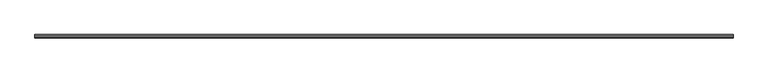
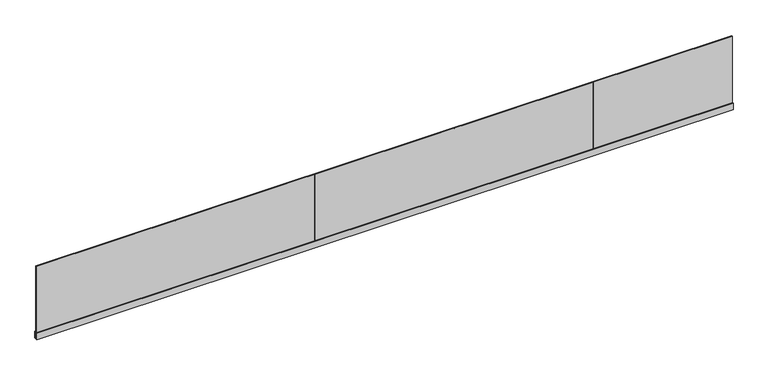
"""IFC4 building model written with IfcOpenShell, lengths in millimetres: railing geometry."""

import ifcopenshell
import ifcopenshell.guid

model = None  # the IFC model being written
_history = None  # IfcOwnerHistory: only IFC2X3 demands one
_inside = {}  # id of a spatial element -> (the spatial element, [elements in it])
_under = {}  # id of a project, library or spatial element -> (it, [spatial elements below it])
_declared = {}  # id of a project -> (the project, [libraries it declares])
_typed = {}  # id of a type object -> (the type object, [elements of that type])
_made_of = {}  # id of a material, layer set ... -> (it, [elements and type objects made of it])


def new_model(schema):
    """Start an empty IFC model of exactly this schema.

    Asked for "IFC4X3", IfcOpenShell would pick the latest addendum, in which some entities
    have other attributes; the version numbers below select the first issue.
    IFC2X3 requires an IfcOwnerHistory on every rooted entity: one is made here for all.
    """
    global model, _history
    if schema == "IFC4X3":
        model = ifcopenshell.file(schema_version=(4, 3, 0, 0))
    else:
        model = ifcopenshell.file(schema=schema)
    _inside.clear()
    _under.clear()
    _declared.clear()
    _typed.clear()
    _made_of.clear()
    _history = None
    if model.schema == "IFC2X3":
        org = make("IfcOrganization", Name="unknown")
        user = make(
            "IfcPersonAndOrganization",
            ThePerson=make("IfcPerson", FamilyName="unknown"),
            TheOrganization=org,
        )
        app = make(
            "IfcApplication",
            ApplicationDeveloper=org,
            Version="unknown",
            ApplicationFullName="unknown",
            ApplicationIdentifier="unknown",
        )
        _history = make(
            "IfcOwnerHistory",
            OwningUser=user,
            OwningApplication=app,
            ChangeAction="ADDED",
            CreationDate=0,
        )
    return model


def make(cls, **values):
    """One entity of the class cls with the attributes given. An attribute that is None is left unset."""
    return model.create_entity(
        cls, **{name: value for name, value in values.items() if value is not None}
    )


def rooted(cls, **values):
    """An entity with a GlobalId (a new one), such as an element, a storey or a relation."""
    return make(cls, GlobalId=ifcopenshell.guid.new(), OwnerHistory=_history, **values)


def si_unit(unit_type, name, prefix=None):
    """IfcSIUnit, for example si_unit("LENGTHUNIT", "METRE", prefix="MILLI")."""
    return make("IfcSIUnit", UnitType=unit_type, Prefix=prefix, Name=name)


def assignment(units):
    """IfcUnitAssignment: the units of a project."""
    return None if units is None else make("IfcUnitAssignment", Units=units)


def point(xyz):
    """IfcCartesianPoint."""
    return None if xyz is None else make("IfcCartesianPoint", Coordinates=xyz)


def direction(xyz):
    """IfcDirection."""
    return None if xyz is None else make("IfcDirection", DirectionRatios=xyz)


def frame(location, z_axis=None, x_axis=None):
    """IfcAxis2Placement3D, a coordinate frame: its origin and axes. An axis left out is left unset."""
    return make(
        "IfcAxis2Placement3D",
        Location=point(location),
        Axis=direction(z_axis),
        RefDirection=direction(x_axis),
    )


def origin():
    """The frame at (0, 0, 0) with its axes left unset."""
    return frame((0.0, 0.0, 0.0))


def place(relative_to, where):
    """IfcLocalPlacement: puts the frame where relative to a parent placement (None: the world)."""
    return make(
        "IfcLocalPlacement", PlacementRelTo=relative_to, RelativePlacement=where
    )


def context(
    kind, dimensions, precision=None, world=None, true_north=None, identifier=None
):
    """IfcGeometricRepresentationContext, for example the 3D "Model" context."""
    return make(
        "IfcGeometricRepresentationContext",
        ContextIdentifier=identifier,
        ContextType=kind,
        CoordinateSpaceDimension=dimensions,
        Precision=precision,
        WorldCoordinateSystem=world,
        TrueNorth=true_north,
    )


def project(units=None, contexts=None):
    """IfcProject with its units and contexts."""
    return rooted(
        "IfcProject",
        Name="project",
        RepresentationContexts=contexts,
        UnitsInContext=assignment(units),
    )


def spatial(cls, under=None, at=None, **own):
    """A site, building, storey or space (cls), placed at a placement, below another one or the project."""
    s = rooted(cls, ObjectPlacement=at, **own)
    if under is not None:
        _under.setdefault(under.id(), (under, []))[1].append(s)
    return s


def polyline(points):
    """IfcPolyline through the points."""
    return make("IfcPolyline", Points=[point(p) for p in points])


def outline(outer, holes=None, kind="AREA"):
    """IfcArbitraryClosedProfileDef: a profile drawn as a closed curve; with holes, ...WithVoids."""
    if holes is None:
        return make("IfcArbitraryClosedProfileDef", ProfileType=kind, OuterCurve=outer)
    return make(
        "IfcArbitraryProfileDefWithVoids",
        ProfileType=kind,
        OuterCurve=outer,
        InnerCurves=holes,
    )


def extrude(swept, where, along, depth):
    """IfcExtrudedAreaSolid: the profile swept, set in the frame where, extruded along a direction by depth."""
    return make(
        "IfcExtrudedAreaSolid",
        SweptArea=swept,
        Position=where,
        ExtrudedDirection=direction(along),
        Depth=depth,
    )


def shape(context_of_items, identifier, shape_type, items):
    """IfcShapeRepresentation: the items that make up one representation, for example the "Body"."""
    return make(
        "IfcShapeRepresentation",
        ContextOfItems=context_of_items,
        RepresentationIdentifier=identifier,
        RepresentationType=shape_type,
        Items=items,
    )


def source(mapping_origin, context_of_items, identifier, shape_type, items):
    """IfcRepresentationMap: a shape defined once, which mapped items show again and again."""
    return make(
        "IfcRepresentationMap",
        MappingOrigin=mapping_origin,
        MappedRepresentation=shape(context_of_items, identifier, shape_type, items),
    )


def transform(
    local_origin,
    x_axis=None,
    y_axis=None,
    z_axis=None,
    scale=None,
    scale2=None,
    scale3=None,
    uniform=True,
):
    """IfcCartesianTransformationOperator3D, or its non-uniform kind. x_axis, y_axis, z_axis: its Axis1, 2, 3."""
    if uniform:
        return make(
            "IfcCartesianTransformationOperator3D",
            Axis1=direction(x_axis),
            Axis2=direction(y_axis),
            LocalOrigin=point(local_origin),
            Scale=scale,
            Axis3=direction(z_axis),
        )
    return make(
        "IfcCartesianTransformationOperator3DnonUniform",
        Axis1=direction(x_axis),
        Axis2=direction(y_axis),
        LocalOrigin=point(local_origin),
        Scale=scale,
        Axis3=direction(z_axis),
        Scale2=scale2,
        Scale3=scale3,
    )


def mapped(mapping_source, mapping_target):
    """IfcMappedItem: shows the shape of a source again, moved by a transform."""
    return make(
        "IfcMappedItem", MappingSource=mapping_source, MappingTarget=mapping_target
    )


def made_of(thing, what):
    """Note that an element or type object is made of a material, layer set ...; save() writes the relation."""
    if what is not None:
        _made_of.setdefault(what.id(), (what, []))[1].append(thing)
    return thing


def element(
    cls,
    number,
    at=None,
    inside=None,
    cuts=None,
    type_object=None,
    material=None,
    context=None,
    identifier="Body",
    shape_type=None,
    held_by="IfcProductDefinitionShape",
    body=None,
    shapes=None,
    **own,
):
    """One element of the class cls, such as IfcWall. Its Tag is "e" and its number.

    at: its placement. inside: the storey or other place that contains it. cuts: it is an
    opening in that element (IfcRelVoidsElement). A single representation is given by context,
    identifier, shape_type and body (its items); several are given by shapes. held_by: the class
    of the entity that holds the representations. save() writes the other relations.
    """
    e = rooted(cls, Tag="e%d" % number, ObjectPlacement=at, **own)
    if body is not None:
        shapes = [shape(context, identifier, shape_type, body)]
    if shapes is not None:
        e.Representation = make(held_by, Representations=shapes)
    if inside is not None:
        _inside.setdefault(inside.id(), (inside, []))[1].append(e)
    if cuts is not None:
        rooted(
            "IfcRelVoidsElement", RelatingBuildingElement=cuts, RelatedOpeningElement=e
        )
    if type_object is not None:
        _typed.setdefault(type_object.id(), (type_object, []))[1].append(e)
    return made_of(e, material)


def aggregate(whole, parts):
    """IfcRelAggregates: a whole, such as a stair, and the parts it consists of."""
    return rooted("IfcRelAggregates", RelatingObject=whole, RelatedObjects=parts)


def save(model, path):
    """Write the relations noted so far, then the file.

    IfcRelAggregates (storeys below a building ...), IfcRelContainedInSpatialStructure (elements
    in a storey), IfcRelDefinesByType, IfcRelAssociatesMaterial and IfcRelDeclares: one each for
    every whole, place, type object, material and project.
    """
    for whole, parts in _under.values():
        aggregate(whole, parts)
    for where, things in _inside.values():
        rooted(
            "IfcRelContainedInSpatialStructure",
            RelatedElements=things,
            RelatingStructure=where,
        )
    for kind, things in _typed.values():
        rooted("IfcRelDefinesByType", RelatedObjects=things, RelatingType=kind)
    for what, things in _made_of.values():
        rooted("IfcRelAssociatesMaterial", RelatedObjects=things, RelatingMaterial=what)
    for by, libraries in _declared.values():
        rooted("IfcRelDeclares", RelatingContext=by, RelatedDefinitions=libraries)
    model.write(path)


def railing_4b2fc185(model_context):
    return source(origin(), model_context, "Body", "SweptSolid", [
        extrude(outline(polyline([(-3061.5739061, -3122.1175492), (-3061.5739061, -3135.6175492), (-13061.5739061, -3135.6175492), (-13061.5739061, -3122.1175492), (-3061.5739061, -3122.1175492)])), frame((0.0, 0.0, 13.5), z_axis=(0.0, 0.0, 1.0), x_axis=(1.0, 0.0, 0.0)), (0.0, 0.0, 1.0), 1092.0),
        extrude(outline(polyline([(-3104.3675492, 0.0), (-3128.8675492, 0.0), (-3153.3675492, 0.0), (-3153.3675492, 98.0), (-3139.1175492, 98.0), (-3139.1175492, 13.5), (-3128.8675492, 13.5), (-3118.6175492, 13.5), (-3118.6175492, 98.0), (-3104.3675492, 98.0), (-3104.3675492, 0.0)])), frame((-13061.5739061, 0.0, 0.0), z_axis=(1.0, 0.0, 0.0), x_axis=(0.0, 1.0, 0.0)), (0.0, 0.0, 1.0), 10000.0),
        extrude(outline(polyline([(-11063.2405711, -3135.6175492), (-11063.2405711, -3122.1175492), (-11059.9072411, -3122.1175492), (-11059.9072411, -3135.6175492), (-11063.2405711, -3135.6175492)])), frame((0.0, 0.0, 7.9), z_axis=(0.0, 0.0, 1.0), x_axis=(1.0, 0.0, 0.0)), (0.0, 0.0, 1.0), 1092.0),
        extrude(outline(polyline([(-9063.2405711, -3135.6175492), (-9063.2405711, -3122.1175492), (-9059.9072411, -3122.1175492), (-9059.9072411, -3135.6175492), (-9063.2405711, -3135.6175492)])), frame((0.0, 0.0, 7.9), z_axis=(0.0, 0.0, 1.0), x_axis=(1.0, 0.0, 0.0)), (0.0, 0.0, 1.0), 1092.0),
        extrude(outline(polyline([(-7063.2405711, -3135.6175492), (-7063.2405711, -3122.1175492), (-7059.9072411, -3122.1175492), (-7059.9072411, -3135.6175492), (-7063.2405711, -3135.6175492)])), frame((0.0, 0.0, 7.9), z_axis=(0.0, 0.0, 1.0), x_axis=(1.0, 0.0, 0.0)), (0.0, 0.0, 1.0), 1092.0),
        extrude(outline(polyline([(-5063.2405711, -3135.6175492), (-5063.2405711, -3122.1175492), (-5059.9072411, -3122.1175492), (-5059.9072411, -3135.6175492), (-5063.2405711, -3135.6175492)])), frame((0.0, 0.0, 7.9), z_axis=(0.0, 0.0, 1.0), x_axis=(1.0, 0.0, 0.0)), (0.0, 0.0, 1.0), 1092.0),
    ])


if __name__ == "__main__":
    model = new_model("IFC4")
    model_context = context("Model", 3, world=origin())
    ifc_project = project(units=[si_unit("LENGTHUNIT", "METRE", prefix="MILLI")], contexts=[model_context])
    site = spatial("IfcSite", under=ifc_project)
    building = spatial("IfcBuilding", under=site)
    placement = place(None, origin())
    railing_shape = railing_4b2fc185(model_context)
    element("IfcRailing", 1, at=placement, inside=building, context=model_context, shape_type="MappedRepresentation", body=[
        mapped(railing_shape, transform((0.0, 0.0, 0.0), x_axis=(1.0, 0.0, 0.0), y_axis=(0.0, 1.0, 0.0), z_axis=(0.0, 0.0, 1.0))),
    ])
    save(model, "model.ifc")
